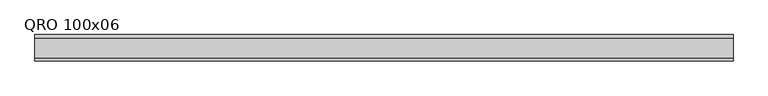
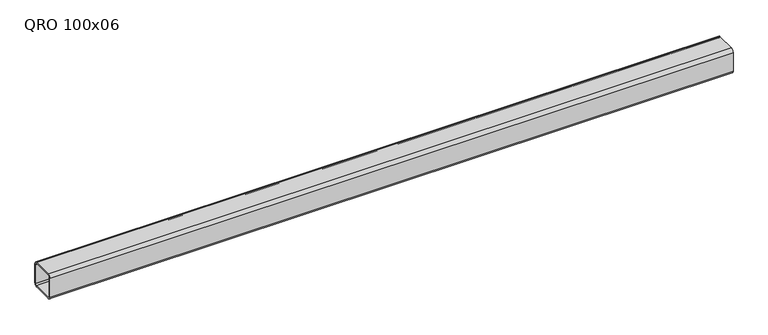
"""IFC4 building model written with IfcOpenShell, lengths in millimetres: beam geometry, QRO 100x06."""

from ifc_helpers import new_model, si_unit, point, frame, frame_2d, origin, place, context, project, spatial, polyline, circle_curve, trimmed, segment, composite_curve, outline, extrude, source, transform, mapped, element, save


def qro_100x06_1b886825(model_context):
    return source(origin(), model_context, "Body", "SweptSolid", [
        extrude(outline(composite_curve([segment(polyline([(50.0, 38.0), (50.0, -38.0)]), True, "CONTINUOUS"), segment(trimmed(circle_curve(frame_2d((38.0, -38.0)), 12.0), [point((50.0, -38.0))], [point((38.0, -50.0))], False, "CARTESIAN"), True, "CONTINUOUS"), segment(polyline([(38.0, -50.0), (-38.0, -50.0)]), True, "CONTINUOUS"), segment(trimmed(circle_curve(frame_2d((-38.0, -38.0)), 12.0), [point((-38.0, -50.0))], [point((-50.0, -38.0))], False, "CARTESIAN"), True, "CONTINUOUS"), segment(polyline([(-50.0, -38.0), (-50.0, 38.0)]), True, "CONTINUOUS"), segment(trimmed(circle_curve(frame_2d((-38.0, 38.0)), 12.0), [point((-50.0, 38.0))], [point((-38.0, 50.0))], False, "CARTESIAN"), True, "CONTINUOUS"), segment(polyline([(-38.0, 50.0), (38.0, 50.0)]), True, "CONTINUOUS"), segment(trimmed(circle_curve(frame_2d((38.0, 38.0)), 12.0), [point((38.0, 50.0))], [point((50.0, 38.0))], False, "CARTESIAN"), True, "CONTINUOUS")], self_intersect=False), holes=[composite_curve([segment(trimmed(circle_curve(frame_2d((-38.0, 38.0)), 6.0), [point((-38.0, 44.0))], [point((-44.0, 38.0))], True, "CARTESIAN"), True, "CONTINUOUS"), segment(polyline([(-44.0, 38.0), (-44.0, -38.0)]), True, "CONTINUOUS"), segment(trimmed(circle_curve(frame_2d((-38.0, -38.0)), 6.0), [point((-44.0, -38.0))], [point((-38.0, -44.0))], True, "CARTESIAN"), True, "CONTINUOUS"), segment(polyline([(-38.0, -44.0), (38.0, -44.0)]), True, "CONTINUOUS"), segment(trimmed(circle_curve(frame_2d((38.0, -38.0)), 6.0), [point((38.0, -44.0))], [point((44.0, -38.0))], True, "CARTESIAN"), True, "CONTINUOUS"), segment(polyline([(44.0, -38.0), (44.0, 38.0)]), True, "CONTINUOUS"), segment(trimmed(circle_curve(frame_2d((38.0, 38.0)), 6.0), [point((44.0, 38.0))], [point((38.0, 44.0))], True, "CARTESIAN"), True, "CONTINUOUS"), segment(polyline([(38.0, 44.0), (-38.0, 44.0)]), True, "CONTINUOUS")], self_intersect=False)]), frame((-1319.9655591, 0.0, 0.0), z_axis=(1.0, 0.0, 0.0), x_axis=(0.0, 1.0, 0.0)), (0.0, 0.0, 1.0), 2639.9457773),
    ])


if __name__ == "__main__":
    model = new_model("IFC4")
    model_context = context("Model", 3, world=origin())
    ifc_project = project(units=[si_unit("LENGTHUNIT", "METRE", prefix="MILLI")], contexts=[model_context])
    site = spatial("IfcSite", under=ifc_project)
    building = spatial("IfcBuilding", under=site)
    placement = place(None, origin())
    qro_100x06_shape = qro_100x06_1b886825(model_context)
    element("IfcBeam", 1, ObjectType="QRO 100x06", at=placement, inside=building, context=model_context, shape_type="MappedRepresentation", body=[
        mapped(qro_100x06_shape, transform((0.0, 0.0, 0.0), x_axis=(1.0, 0.0, 0.0), y_axis=(0.0, 1.0, 0.0), z_axis=(0.0, 0.0, 1.0))),
    ])
    save(model, "model.ifc")
